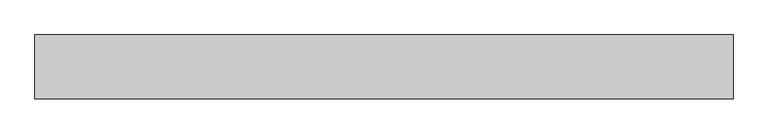
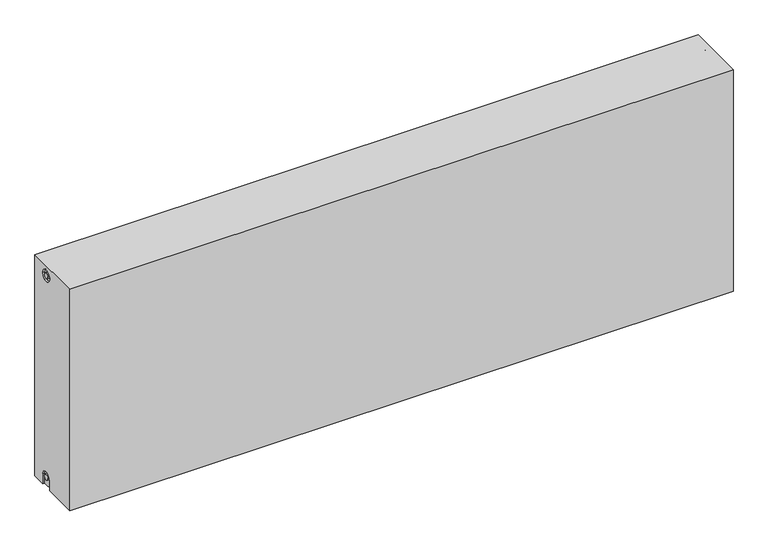
"""IFC4 building model written with IfcOpenShell, lengths in millimetres: proxy geometry."""

from ifc_helpers import new_model, si_unit, frame, origin, place, context, project, spatial, polyline, circle_curve, source, transform, mapped, element, save
from ifc_brep_helpers import plane_surface, cylinder_surface, revolved_surface, advanced_brep


def mechanical_equipment_21325aaf(model_context):
    return source(origin(), model_context, "Body", "AdvancedBrep", [
        advanced_brep(
        [(1700.0, 77.5, 600.0), (1700.0, 77.5, 0.0), (0.0, 77.5, 0.0), (0.0, 77.5, 600.0), (1700.0, -77.5, 600.0), (0.0, -77.5, 600.0), (0.0, -77.5, 0.0), (1700.0, -77.5, 0.0), (1700.0, 12.2242393, 0.0), (1700.0, 12.2242393, 27.0), (1700.0, 42.2242393, 27.0), (1700.0, 42.2242393, 0.0), (1700.0, 42.2242393, 573.0), (1700.0, 12.2242393, 573.0), (1700.0, 19.7242393, 27.0), (1700.0, 34.7242393, 27.0), (1700.0, 34.7242393, 573.0), (1700.0, 19.7242393, 573.0), (1695.0, 42.2242393, 0.0), (1695.0, 12.2242393, 0.0), (0.0, 12.5, 0.0), (5.0, 12.5, 0.0), (5.0, 42.5, 0.0), (0.0, 42.5, 0.0), (0.0, 42.5, 27.0), (0.0, 12.5, 27.0), (0.0, 12.2242393, 573.0), (0.0, 42.2242393, 573.0), (0.0, 19.7242393, 573.0), (0.0, 34.7242393, 573.0), (0.0, 35.0682726, 27.0), (0.0, 20.0682726, 27.0), (5.0, 12.2242393, 573.0), (5.0, 42.2242393, 573.0), (5.0, 19.7242393, 573.0), (5.0, 34.7242393, 573.0), (5.0, 12.5, 27.0), (5.0, 42.5, 27.0), (5.0, 20.0682726, 27.0), (5.0, 35.0682726, 27.0), (1695.0, 42.2242393, 27.0), (1695.0, 12.2242393, 27.0), (1695.0, 19.7242393, 27.0), (1695.0, 34.7242393, 27.0), (1695.0, 12.2242393, 573.0), (1695.0, 42.2242393, 573.0), (1695.0, 19.7242393, 573.0), (1695.0, 34.7242393, 573.0)],
        [
            (0, 1),
            (1, 2),
            (2, 3),
            (3, 0),
            (4, 5),
            (5, 6),
            (6, 7),
            (7, 4),
            (0, 4),
            (7, 8),
            (8, 9),
            (9, 10, circle_curve(frame((1700.0, 27.2242393, 27.0), z_axis=(-1.0, 0.0, 0.0), x_axis=(0.0, 1.0, 0.0)), 15.0)),
            (10, 11),
            (11, 1),
            (12, 13, circle_curve(frame((1700.0, 27.2242393, 573.0), z_axis=(-1.0, 0.0, 0.0), x_axis=(0.0, 1.0, 0.0)), 15.0)),
            (13, 12, circle_curve(frame((1700.0, 27.2242393, 573.0), z_axis=(-1.0, 0.0, 0.0), x_axis=(0.0, 1.0, 0.0)), 15.0)),
            (14, 15, circle_curve(frame((1700.0, 27.2242393, 27.0), z_axis=(1.0, 0.0, 0.0), x_axis=(0.0, 1.0, 0.0)), 7.5)),
            (15, 14, circle_curve(frame((1700.0, 27.2242393, 27.0), z_axis=(1.0, 0.0, 0.0), x_axis=(0.0, 1.0, 0.0)), 7.5)),
            (16, 17, circle_curve(frame((1700.0, 27.2242393, 573.0), z_axis=(1.0, 0.0, 0.0), x_axis=(0.0, 1.0, 0.0)), 7.5)),
            (17, 16, circle_curve(frame((1700.0, 27.2242393, 573.0), z_axis=(1.0, 0.0, 0.0), x_axis=(0.0, 1.0, 0.0)), 7.5)),
            (11, 18),
            (18, 19),
            (19, 8),
            (6, 20),
            (20, 21),
            (21, 22),
            (22, 23),
            (23, 2),
            (23, 24),
            (24, 25, circle_curve(frame((0.0, 27.5, 27.0), z_axis=(1.0, 0.0, 0.0), x_axis=(0.0, 1.0, 0.0)), 15.0)),
            (25, 20),
            (5, 3),
            (26, 27, circle_curve(frame((0.0, 27.2242393, 573.0), z_axis=(1.0, 0.0, 0.0), x_axis=(0.0, 1.0, 0.0)), 15.0)),
            (27, 26, circle_curve(frame((0.0, 27.2242393, 573.0), z_axis=(1.0, 0.0, 0.0), x_axis=(0.0, 1.0, 0.0)), 15.0)),
            (28, 29, circle_curve(frame((0.0, 27.2242393, 573.0), z_axis=(-1.0, 0.0, 0.0), x_axis=(0.0, 1.0, 0.0)), 7.5)),
            (29, 28, circle_curve(frame((0.0, 27.2242393, 573.0), z_axis=(-1.0, 0.0, 0.0), x_axis=(0.0, 1.0, 0.0)), 7.5)),
            (30, 31, circle_curve(frame((0.0, 27.5682726, 27.0), z_axis=(-1.0, 0.0, 0.0), x_axis=(0.0, 1.0, 0.0)), 7.5)),
            (31, 30, circle_curve(frame((0.0, 27.5682726, 27.0), z_axis=(-1.0, 0.0, 0.0), x_axis=(0.0, 1.0, 0.0)), 7.5)),
            (32, 33, circle_curve(frame((5.0, 27.2242393, 573.0), z_axis=(-1.0, 0.0, 0.0), x_axis=(0.0, 1.0, 0.0)), 15.0)),
            (33, 32, circle_curve(frame((5.0, 27.2242393, 573.0), z_axis=(-1.0, 0.0, 0.0), x_axis=(0.0, 1.0, 0.0)), 15.0)),
            (34, 35, circle_curve(frame((5.0, 27.2242393, 573.0), z_axis=(1.0, 0.0, 0.0), x_axis=(0.0, 1.0, 0.0)), 7.5)),
            (35, 34, circle_curve(frame((5.0, 27.2242393, 573.0), z_axis=(1.0, 0.0, 0.0), x_axis=(0.0, 1.0, 0.0)), 7.5)),
            (33, 27),
            (26, 32),
            (35, 29),
            (28, 34),
            (21, 36),
            (36, 37, circle_curve(frame((5.0, 27.5, 27.0), z_axis=(-1.0, 0.0, 0.0), x_axis=(0.0, 1.0, 0.0)), 15.0)),
            (37, 22),
            (38, 39, circle_curve(frame((5.0, 27.5682726, 27.0), z_axis=(1.0, 0.0, 0.0), x_axis=(0.0, 1.0, 0.0)), 7.5)),
            (39, 38, circle_curve(frame((5.0, 27.5682726, 27.0), z_axis=(1.0, 0.0, 0.0), x_axis=(0.0, 1.0, 0.0)), 7.5)),
            (38, 31),
            (30, 39),
            (37, 24),
            (36, 25),
            (18, 40),
            (40, 41, circle_curve(frame((1695.0, 27.2242393, 27.0), z_axis=(1.0, 0.0, 0.0), x_axis=(0.0, 1.0, 0.0)), 15.0)),
            (41, 19),
            (42, 43, circle_curve(frame((1695.0, 27.2242393, 27.0), z_axis=(-1.0, 0.0, 0.0), x_axis=(0.0, 1.0, 0.0)), 7.5)),
            (43, 42, circle_curve(frame((1695.0, 27.2242393, 27.0), z_axis=(-1.0, 0.0, 0.0), x_axis=(0.0, 1.0, 0.0)), 7.5)),
            (43, 15),
            (14, 42),
            (10, 40),
            (9, 41),
            (44, 45, circle_curve(frame((1695.0, 27.2242393, 573.0), z_axis=(1.0, 0.0, 0.0), x_axis=(0.0, 1.0, 0.0)), 15.0)),
            (45, 44, circle_curve(frame((1695.0, 27.2242393, 573.0), z_axis=(1.0, 0.0, 0.0), x_axis=(0.0, 1.0, 0.0)), 15.0)),
            (46, 47, circle_curve(frame((1695.0, 27.2242393, 573.0), z_axis=(-1.0, 0.0, 0.0), x_axis=(0.0, 1.0, 0.0)), 7.5)),
            (47, 46, circle_curve(frame((1695.0, 27.2242393, 573.0), z_axis=(-1.0, 0.0, 0.0), x_axis=(0.0, 1.0, 0.0)), 7.5)),
            (44, 13),
            (12, 45),
            (46, 17),
            (16, 47),
        ],
        [
            plane_surface(frame((1700.0, 77.5, 600.0), z_axis=(0.0, 1.0, 0.0), x_axis=(0.0, 0.0, -1.0))),
            plane_surface(frame((1700.0, -77.5, 600.0), z_axis=(0.0, -1.0, 0.0), x_axis=(0.0, 0.0, 1.0))),
            plane_surface(frame((1700.0, 77.5, 600.0), z_axis=(1.0, 0.0, 0.0), x_axis=(0.0, -1.0, 0.0))),
            plane_surface(frame((1700.0, 77.5, 0.0), z_axis=(0.0, 0.0, -1.0), x_axis=(0.0, -1.0, 0.0))),
            plane_surface(frame((0.0, 77.5, 0.0), z_axis=(-1.0, 0.0, 0.0), x_axis=(0.0, -1.0, 0.0))),
            plane_surface(frame((0.0, 77.5, 600.0), z_axis=(0.0, 0.0, 1.0), x_axis=(0.0, -1.0, 0.0))),
            plane_surface(frame((5.0, 42.2242393, 573.0), z_axis=(-1.0, 0.0, 0.0), x_axis=(0.0, 0.0, 1.0))),
            revolved_surface(polyline([(5.0, 42.2242393, 573.0), (0.0, 42.2242393, 573.0)]), (0.0, 27.2242393, 573.0), (1.0, 0.0, 0.0)),
            cylinder_surface(frame((0.0, 27.2242393, 573.0), z_axis=(-1.0, 0.0, 0.0), x_axis=(0.0, 1.0, 0.0)), 7.5),
            plane_surface(frame((5.0, 35.0682726, 27.0), z_axis=(-1.0, 0.0, 0.0), x_axis=(0.0, 0.0, -1.0))),
            cylinder_surface(frame((0.0, 27.5682726, 27.0), z_axis=(-1.0, 0.0, 0.0), x_axis=(0.0, 1.0, 0.0)), 7.5),
            plane_surface(frame((5.0, 42.5, 0.0), z_axis=(0.0, -1.0, 0.0), x_axis=(-1.0, 0.0, 0.0))),
            revolved_surface(polyline([(5.0, 42.5, 27.0), (0.0, 42.5, 27.0)]), (0.0, 27.5, 27.0), (1.0, 0.0, 0.0)),
            plane_surface(frame((5.0, 12.5, 27.0), z_axis=(0.0, 1.0, 0.0), x_axis=(-1.0, 0.0, 0.0))),
            plane_surface(frame((1695.0, 34.7242393, 27.0), z_axis=(1.0, 0.0, 0.0), x_axis=(0.0, 0.0, 1.0))),
            cylinder_surface(frame((1695.0, 27.2242393, 27.0), z_axis=(-1.0, 0.0, 0.0), x_axis=(0.0, 1.0, 0.0)), 7.5),
            plane_surface(frame((1700.0, 42.2242393, 0.0), z_axis=(0.0, -1.0, 0.0), x_axis=(-1.0, 0.0, 0.0))),
            revolved_surface(polyline([(1700.0, 42.2242393, 27.0), (1695.0, 42.2242393, 27.0)]), (895.0, 27.2242393, 27.0), (1.0, 0.0, 0.0)),
            plane_surface(frame((1700.0, 12.2242393, 27.0), z_axis=(0.0, 1.0, 0.0), x_axis=(-1.0, 0.0, 0.0))),
            plane_surface(frame((1695.0, 42.2242393, 573.0), z_axis=(1.0, 0.0, 0.0), x_axis=(0.0, 0.0, -1.0))),
            revolved_surface(polyline([(1700.0, 42.2242393, 573.0), (1695.0, 42.2242393, 573.0)]), (1695.0, 27.2242393, 573.0), (1.0, 0.0, 0.0)),
            cylinder_surface(frame((895.0, 27.2242393, 573.0), z_axis=(-1.0, 0.0, 0.0), x_axis=(0.0, 1.0, 0.0)), 7.5),
        ],
        [
            (0, [[1, 2, 3, 4]]),
            (1, [[5, 6, 7, 8]]),
            (2, [[-1, 9, -8, 10, 11, 12, 13, 14], [15, 16]]),
            (2, [[17, 18]]),
            (2, [[19, 20]]),
            (3, [[-2, -14, 21, 22, 23, -10, -7, 24, 25, 26, 27, 28]]),
            (4, [[-3, -28, 29, 30, 31, -24, -6, 32], [33, 34]]),
            (4, [[35, 36]]),
            (4, [[37, 38]]),
            (5, [[-4, -32, -5, -9]]),
            (6, [[39, 40], [41, 42]]),
            (7, [[-40, 43, -33, 44]]),
            (7, [[-39, -44, -34, -43]]),
            (8, [[-42, 45, -35, 46]]),
            (8, [[-41, -46, -36, -45]]),
            (9, [[47, 48, 49, -26], [50, 51]]),
            (10, [[-50, 52, -37, 53]]),
            (10, [[-51, -53, -38, -52]]),
            (11, [[-49, 54, -29, -27]]),
            (12, [[-48, 55, -30, -54]]),
            (13, [[-47, -25, -31, -55]]),
            (14, [[56, 57, 58, -22], [59, 60]]),
            (15, [[-60, 61, -17, 62]]),
            (15, [[-59, -62, -18, -61]]),
            (16, [[-56, -21, -13, 63]]),
            (17, [[-57, -63, -12, 64]]),
            (18, [[-58, -64, -11, -23]]),
            (19, [[65, 66], [67, 68]]),
            (20, [[-65, 69, -15, 70]]),
            (20, [[-66, -70, -16, -69]]),
            (21, [[-67, 71, -19, 72]]),
            (21, [[-68, -72, -20, -71]]),
        ],
    ),
    ])


if __name__ == "__main__":
    model = new_model("IFC4")
    model_context = context("Model", 3, world=origin())
    ifc_project = project(units=[si_unit("LENGTHUNIT", "METRE", prefix="MILLI")], contexts=[model_context])
    site = spatial("IfcSite", under=ifc_project)
    building = spatial("IfcBuilding", under=site)
    placement = place(None, origin())
    mechanical_equipment_shape = mechanical_equipment_21325aaf(model_context)
    element("IfcBuildingElementProxy", 1, Name="Mechanical Equipment", at=placement, inside=building, context=model_context, shape_type="MappedRepresentation", body=[
        mapped(mechanical_equipment_shape, transform((0.0, 0.0, 0.0), x_axis=(1.0, 0.0, 0.0), y_axis=(0.0, 1.0, 0.0), z_axis=(0.0, 0.0, 1.0))),
    ])
    save(model, "model.ifc")
